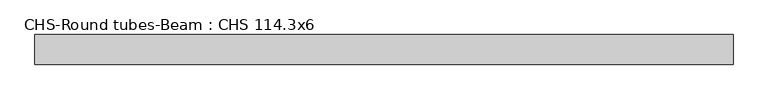
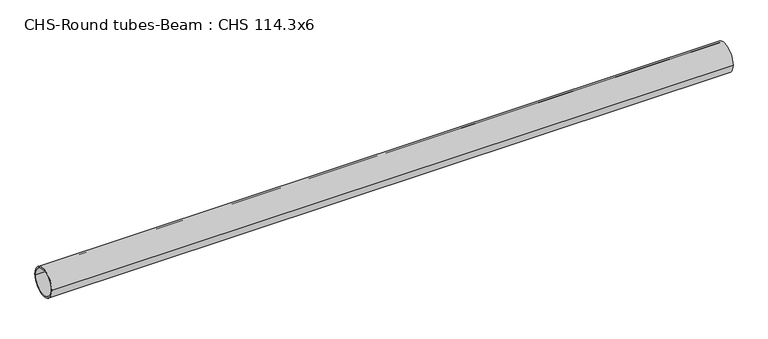
"""IFC4 building model written with IfcOpenShell, lengths in millimetres: beam geometry, CHS-Round tubes-Beam : CHS 114.3x6."""

from ifc_helpers import new_model, si_unit, point, frame, origin, origin_2d, place, context, project, spatial, circle_curve, trimmed, segment, composite_curve, outline, extrude, source, transform, mapped, element, save


def chs_round_tubes_beam_chs_114_3x6_a697ce9a(model_context):
    return source(origin(), model_context, "Body", "SweptSolid", [
        extrude(outline(composite_curve([segment(trimmed(circle_curve(origin_2d(), 57.15), [point((57.15, 0.0))], [point((-57.15, 0.0))], False, "CARTESIAN"), True, "CONTINUOUS"), segment(trimmed(circle_curve(origin_2d(), 57.15), [point((-57.15, 0.0))], [point((57.15, 0.0))], False, "CARTESIAN"), True, "CONTINUOUS")], self_intersect=False), holes=[composite_curve([segment(trimmed(circle_curve(origin_2d(), 51.15), [point((51.15, 0.0))], [point((-51.15, 0.0))], True, "CARTESIAN"), True, "CONTINUOUS"), segment(trimmed(circle_curve(origin_2d(), 51.15), [point((-51.15, 0.0))], [point((51.15, 0.0))], True, "CARTESIAN"), True, "CONTINUOUS")], self_intersect=False)]), frame((-1335.2793557, 0.0, 0.0), z_axis=(1.0, 0.0, 0.0), x_axis=(0.0, 1.0, 0.0)), (0.0, 0.0, 1.0), 2690.7487716),
    ])


if __name__ == "__main__":
    model = new_model("IFC4")
    model_context = context("Model", 3, world=origin())
    ifc_project = project(units=[si_unit("LENGTHUNIT", "METRE", prefix="MILLI")], contexts=[model_context])
    site = spatial("IfcSite", under=ifc_project)
    building = spatial("IfcBuilding", under=site)
    placement = place(None, origin())
    chs_round_tubes_beam_chs_114_3x6_shape = chs_round_tubes_beam_chs_114_3x6_a697ce9a(model_context)
    element("IfcBeam", 1, ObjectType="CHS-Round tubes-Beam : CHS 114.3x6", at=placement, inside=building, context=model_context, shape_type="MappedRepresentation", body=[
        mapped(chs_round_tubes_beam_chs_114_3x6_shape, transform((0.0, 0.0, 0.0), x_axis=(1.0, 0.0, 0.0), y_axis=(0.0, 1.0, 0.0), z_axis=(0.0, 0.0, 1.0))),
    ])
    save(model, "model.ifc")
